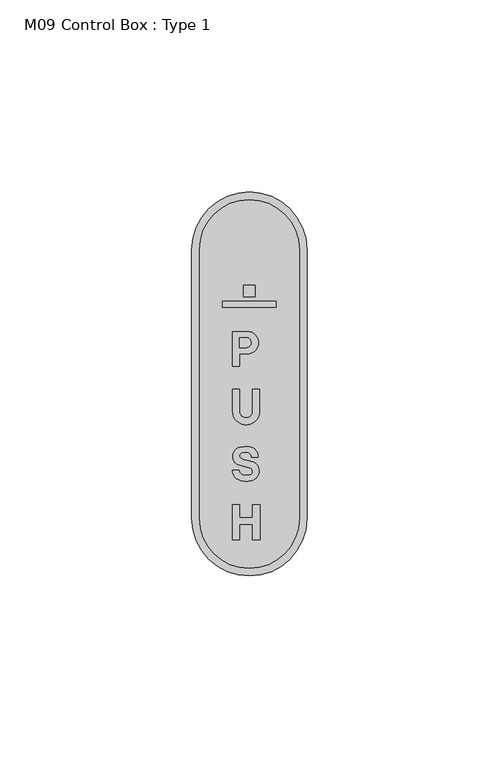
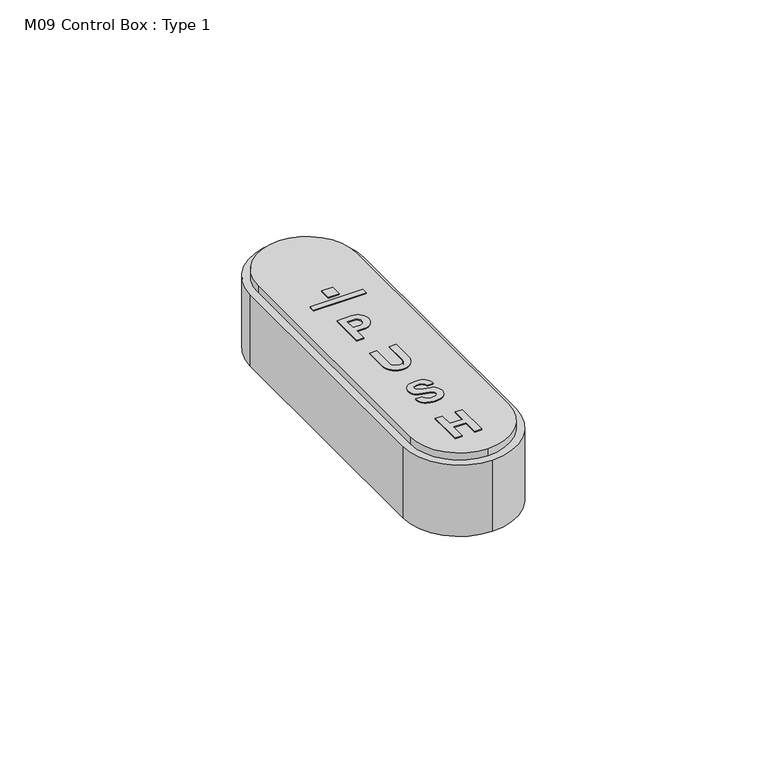
"""IFC4 building model written with IfcOpenShell, lengths in millimetres: proxy geometry, M09 Control Box : Type 1."""

from ifc_helpers import new_model, si_unit, point, frame, frame_2d, origin, origin_with_axes, place, context, project, spatial, polyline, circle_curve, trimmed, segment, composite_curve, outline, extrude, source, transform, mapped, element, save


def m09_control_box_type_1_ed97ed32(model_context):
    return source(origin(), model_context, "Body", "SweptSolid", [
        extrude(outline(polyline([(0.8723821, -34.8655991), (0.8723821, -31.5117167), (2.736406, -31.5117167), (2.736406, -40.5120947), (0.8723821, -40.5120947), (0.8723821, -36.5221312), (-2.5155153, -36.5221312), (-2.5155153, -40.5120947), (-4.3829407, -40.5120947), (-4.3829407, -31.5117167), (-2.5155153, -31.5117167), (-2.5155153, -34.8655991), (0.8723821, -34.8655991)])), frame((0.0, 0.0, 20.0), z_axis=(0.0, 0.0, 1.0), x_axis=(1.0, 0.0, 0.0)), (0.0, 0.0, 1.0), 2.0),
        extrude(outline(composite_curve([segment(polyline([(-4.3829407, -1.3113667), (-2.5528483, -1.3113667), (-2.5528483, -7.1144231)]), True, "CONTINUOUS"), segment(trimmed(circle_curve(frame_2d((-0.8491988, -7.1144231)), 1.7036496), [point((-2.5528483, -7.1144231))], [point((0.8544508, -7.1144231))], True, "CARTESIAN"), True, "CONTINUOUS"), segment(polyline([(0.8544508, -7.1144231), (0.8544508, -1.3113667), (2.6645785, -1.3113667), (2.6645785, -7.0778213)]), True, "CONTINUOUS"), segment(trimmed(circle_curve(frame_2d((-0.8591811, -7.0778213)), 3.5237596), [point((2.6645785, -7.0778213))], [point((-4.3829407, -7.0778213))], False, "CARTESIAN"), True, "CONTINUOUS"), segment(polyline([(-4.3829407, -7.0778213), (-4.3829407, -1.3113667)]), True, "CONTINUOUS")], self_intersect=False)), frame((0.0, 0.0, 20.0), z_axis=(0.0, 0.0, 1.0), x_axis=(1.0, 0.0, 0.0)), (0.0, 0.0, 1.0), 2.0),
        extrude(outline(composite_curve([segment(trimmed(circle_curve(frame_2d((-0.8756374, -23.2309063)), 6.9254778), [point((-2.4645778, -16.4901711))], [point((0.0, -16.361008))], False, "CARTESIAN"), True, "CONTINUOUS"), segment(trimmed(circle_curve(frame_2d((-0.3337527, -18.9794971)), 2.6396734), [point((0.0, -16.361008))], [point((2.3051791, -19.0420638))], False, "CARTESIAN"), True, "CONTINUOUS"), segment(polyline([(2.3051791, -19.0420638), (0.6042446, -19.0355964)]), True, "CONTINUOUS"), segment(trimmed(circle_curve(frame_2d((-0.7657244, -19.1265289)), 1.3729835), [point((0.6042446, -19.0355964))], [point((-0.7958968, -17.7538769))], True, "CARTESIAN"), True, "CONTINUOUS"), segment(trimmed(circle_curve(frame_2d((-1.0891768, -20.0342111)), 2.2991165), [point((-0.7958968, -17.7538769))], [point((-2.213965, -18.0290207))], True, "CARTESIAN"), True, "CONTINUOUS"), segment(trimmed(circle_curve(frame_2d((-1.7263824, -18.6992281)), 0.8288032), [point((-2.213965, -18.0290207))], [point((-2.213965, -19.3694355))], True, "CARTESIAN"), True, "CONTINUOUS"), segment(trimmed(circle_curve(frame_2d((0.582748, -13.4753911)), 6.523907), [point((-2.213965, -19.3694355))], [point((-0.6968299, -19.8725814))], True, "CARTESIAN"), True, "CONTINUOUS"), segment(polyline([(-0.6968299, -19.8725814), (0.7590318, -20.2626783)]), True, "CONTINUOUS"), segment(trimmed(circle_curve(frame_2d((0.1287501, -22.6149219)), 2.4352218), [point((0.7590318, -20.2626783))], [point((2.5547051, -22.8271655))], False, "CARTESIAN"), True, "CONTINUOUS"), segment(trimmed(circle_curve(frame_2d((-0.0717459, -22.5973808)), 2.6364836), [point((2.5547051, -22.8271655))], [point((0.4921717, -25.1728503))], False, "CARTESIAN"), True, "CONTINUOUS"), segment(trimmed(circle_curve(frame_2d((-0.7946709, -20.0211121)), 5.3100255), [point((0.4921717, -25.1728503))], [point((-2.9565534, -24.8711259))], False, "CARTESIAN"), True, "CONTINUOUS"), segment(trimmed(circle_curve(frame_2d((-1.9703154, -22.6585782)), 2.4224023), [point((-2.9565534, -24.8711259))], [point((-4.3829407, -22.4411566))], False, "CARTESIAN"), True, "CONTINUOUS"), segment(polyline([(-4.3829407, -22.4411566), (-2.6348358, -22.4411566)]), True, "CONTINUOUS"), segment(trimmed(circle_curve(frame_2d((-1.2149368, -22.3490205)), 1.4228851), [point((-2.6348358, -22.4411566))], [point((-1.5096764, -23.7410445))], True, "CARTESIAN"), True, "CONTINUOUS"), segment(trimmed(circle_curve(frame_2d((-0.7920818, -20.3519205)), 3.4642608), [point((-1.5096764, -23.7410445))], [point((-0.0029872, -23.7251138))], True, "CARTESIAN"), True, "CONTINUOUS"), segment(trimmed(circle_curve(frame_2d((-0.0974175, -22.7686323)), 0.9611316), [point((-0.0029872, -23.7251138))], [point((0.2963073, -21.8918457))], True, "CARTESIAN"), True, "CONTINUOUS"), segment(polyline([(0.2963073, -21.8918457), (-2.8088607, -21.0598185)]), True, "CONTINUOUS"), segment(trimmed(circle_curve(frame_2d((-2.2075299, -19.066456)), 2.0820885), [point((-2.8088607, -21.0598185))], [point((-4.2731404, -18.8050256))], False, "CARTESIAN"), True, "CONTINUOUS"), segment(trimmed(circle_curve(frame_2d((-1.9145038, -18.7838652)), 2.3587315), [point((-4.2731404, -18.8050256))], [point((-2.4645778, -16.4901711))], False, "CARTESIAN"), True, "CONTINUOUS")], self_intersect=False)), frame((0.0, 0.0, 20.0), z_axis=(0.0, 0.0, 1.0), x_axis=(1.0, 0.0, 0.0)), (0.0, 0.0, 1.0), 2.0),
        extrude(outline(composite_curve([segment(polyline([(-2.5257198, 4.6645225), (-4.3829407, 4.6645225), (-4.3829407, 13.6649005), (-2.5257198, 13.6649005), (-0.5426433, 13.6649005)]), True, "CONTINUOUS"), segment(trimmed(circle_curve(frame_2d((-0.5426433, 10.7651188)), 2.8997817), [point((-0.5426433, 13.6649005))], [point((-0.5426433, 7.8653372))], False, "CARTESIAN"), True, "CONTINUOUS"), segment(polyline([(-0.5426433, 7.8653372), (-2.5257198, 7.8653372), (-2.5257198, 4.6645225)]), True, "CONTINUOUS")], self_intersect=False), holes=[composite_curve([segment(polyline([(-2.5257198, 9.4810513), (-0.8181651, 9.4810513)]), True, "CONTINUOUS"), segment(trimmed(circle_curve(frame_2d((-0.8181651, 10.7906301)), 1.3095788), [point((-0.8181651, 9.4810513))], [point((-0.8181651, 12.1002089))], True, "CARTESIAN"), True, "CONTINUOUS"), segment(polyline([(-0.8181651, 12.1002089), (-2.5257198, 12.1002089), (-2.5257198, 9.4810513)]), True, "CONTINUOUS")], self_intersect=False)]), frame((0.0, 0.0, 20.0), z_axis=(0.0, 0.0, 1.0), x_axis=(1.0, 0.0, 0.0)), (0.0, 0.0, 1.0), 2.0),
        extrude(outline(polyline([(-7.0, 20.0166537), (-7.0, 21.5166537), (7.0, 21.5166537), (7.0, 20.0166537), (-7.0, 20.0166537)])), frame((0.0, 0.0, 20.0), z_axis=(0.0, 0.0, 1.0), x_axis=(1.0, 0.0, 0.0)), (0.0, 0.0, 1.0), 2.0),
        extrude(outline(polyline([(-1.5, 25.7486881), (1.5, 25.7486881), (1.5, 22.7486881), (-1.5, 22.7486881), (-1.5, 25.7486881)])), frame((0.0, 0.0, 20.0), z_axis=(0.0, 0.0, 1.0), x_axis=(1.0, 0.0, 0.0)), (0.0, 0.0, 1.0), 2.0),
        extrude(outline(composite_curve([segment(trimmed(circle_curve(frame_2d((0.0, 35.0)), 13.0), [point((0.0, 48.0))], [point((13.0, 35.0))], False, "CARTESIAN"), True, "CONTINUOUS"), segment(polyline([(13.0, 35.0), (13.0, -35.0)]), True, "CONTINUOUS"), segment(trimmed(circle_curve(frame_2d((0.0, -35.0)), 13.0), [point((13.0, -35.0))], [point((0.0, -48.0))], False, "CARTESIAN"), True, "CONTINUOUS"), segment(trimmed(circle_curve(frame_2d((0.0, -35.0)), 13.0), [point((0.0, -48.0))], [point((-13.0, -35.0))], False, "CARTESIAN"), True, "CONTINUOUS"), segment(polyline([(-13.0, -35.0), (-13.0, 35.0)]), True, "CONTINUOUS"), segment(trimmed(circle_curve(frame_2d((0.0, 35.0)), 13.0), [point((-13.0, 35.0))], [point((0.0, 48.0))], False, "CARTESIAN"), True, "CONTINUOUS")], self_intersect=False), holes=[composite_curve([segment(trimmed(circle_curve(frame_2d((-0.5426433, 10.7651188)), 2.8997817), [point((-0.5426433, 7.8653372))], [point((-0.5426433, 13.6649005))], True, "CARTESIAN"), True, "CONTINUOUS"), segment(polyline([(-0.5426433, 13.6649005), (-2.5257198, 13.6649005), (-4.3829407, 13.6649005), (-4.3829407, 4.6645225), (-2.5257198, 4.6645225), (-2.5257198, 7.8653372), (-0.5426433, 7.8653372)]), True, "CONTINUOUS")], self_intersect=False), composite_curve([segment(polyline([(-4.3829407, -1.3113667), (-4.3829407, -7.0778213)]), True, "CONTINUOUS"), segment(trimmed(circle_curve(frame_2d((-0.8591811, -7.0778213)), 3.5237596), [point((-4.3829407, -7.0778213))], [point((2.6645785, -7.0778213))], True, "CARTESIAN"), True, "CONTINUOUS"), segment(polyline([(2.6645785, -7.0778213), (2.6645785, -1.3113667), (0.8544508, -1.3113667), (0.8544508, -7.1144231)]), True, "CONTINUOUS"), segment(trimmed(circle_curve(frame_2d((-0.8491988, -7.1144231)), 1.7036496), [point((0.8544508, -7.1144231))], [point((-2.5528483, -7.1144231))], False, "CARTESIAN"), True, "CONTINUOUS"), segment(polyline([(-2.5528483, -7.1144231), (-2.5528483, -1.3113667), (-4.3829407, -1.3113667)]), True, "CONTINUOUS")], self_intersect=False), polyline([(-4.3829407, -40.5120947), (-2.5155153, -40.5120947), (-2.5155153, -36.5221312), (0.8723821, -36.5221312), (0.8723821, -40.5120947), (2.736406, -40.5120947), (2.736406, -31.5117167), (0.8723821, -31.5117167), (0.8723821, -34.8655991), (-2.5155153, -34.8655991), (-2.5155153, -31.5117167), (-4.3829407, -31.5117167), (-4.3829407, -40.5120947)]), composite_curve([segment(polyline([(0.6042446, -19.0355964), (2.3051791, -19.0420638)]), True, "CONTINUOUS"), segment(trimmed(circle_curve(frame_2d((-0.3337527, -18.9794971)), 2.6396734), [point((2.3051791, -19.0420638))], [point((0.0, -16.361008))], True, "CARTESIAN"), True, "CONTINUOUS"), segment(trimmed(circle_curve(frame_2d((-0.8756374, -23.2309063)), 6.9254778), [point((0.0, -16.361008))], [point((-2.4645778, -16.4901711))], True, "CARTESIAN"), True, "CONTINUOUS"), segment(trimmed(circle_curve(frame_2d((-1.9145038, -18.7838652)), 2.3587315), [point((-2.4645778, -16.4901711))], [point((-4.2731404, -18.8050256))], True, "CARTESIAN"), True, "CONTINUOUS"), segment(trimmed(circle_curve(frame_2d((-2.2075299, -19.066456)), 2.0820885), [point((-4.2731404, -18.8050256))], [point((-2.8088607, -21.0598185))], True, "CARTESIAN"), True, "CONTINUOUS"), segment(polyline([(-2.8088607, -21.0598185), (0.2963073, -21.8918457)]), True, "CONTINUOUS"), segment(trimmed(circle_curve(frame_2d((-0.0974175, -22.7686323)), 0.9611316), [point((0.2963073, -21.8918457))], [point((-0.0029872, -23.7251138))], False, "CARTESIAN"), True, "CONTINUOUS"), segment(trimmed(circle_curve(frame_2d((-0.7920818, -20.3519205)), 3.4642608), [point((-0.0029872, -23.7251138))], [point((-1.5096764, -23.7410445))], False, "CARTESIAN"), True, "CONTINUOUS"), segment(trimmed(circle_curve(frame_2d((-1.2149368, -22.3490205)), 1.4228851), [point((-1.5096764, -23.7410445))], [point((-2.6348358, -22.4411566))], False, "CARTESIAN"), True, "CONTINUOUS"), segment(polyline([(-2.6348358, -22.4411566), (-4.3829407, -22.4411566)]), True, "CONTINUOUS"), segment(trimmed(circle_curve(frame_2d((-1.9703154, -22.6585782)), 2.4224023), [point((-4.3829407, -22.4411566))], [point((-2.9565534, -24.8711259))], True, "CARTESIAN"), True, "CONTINUOUS"), segment(trimmed(circle_curve(frame_2d((-0.7946709, -20.0211121)), 5.3100255), [point((-2.9565534, -24.8711259))], [point((0.4921717, -25.1728503))], True, "CARTESIAN"), True, "CONTINUOUS"), segment(trimmed(circle_curve(frame_2d((-0.0717459, -22.5973808)), 2.6364836), [point((0.4921717, -25.1728503))], [point((2.5547051, -22.8271655))], True, "CARTESIAN"), True, "CONTINUOUS"), segment(trimmed(circle_curve(frame_2d((0.1287501, -22.6149219)), 2.4352218), [point((2.5547051, -22.8271655))], [point((0.7590318, -20.2626783))], True, "CARTESIAN"), True, "CONTINUOUS"), segment(polyline([(0.7590318, -20.2626783), (-0.6968299, -19.8725814)]), True, "CONTINUOUS"), segment(trimmed(circle_curve(frame_2d((0.582748, -13.4753911)), 6.523907), [point((-0.6968299, -19.8725814))], [point((-2.213965, -19.3694355))], False, "CARTESIAN"), True, "CONTINUOUS"), segment(trimmed(circle_curve(frame_2d((-1.7263824, -18.6992281)), 0.8288032), [point((-2.213965, -19.3694355))], [point((-2.213965, -18.0290207))], False, "CARTESIAN"), True, "CONTINUOUS"), segment(trimmed(circle_curve(frame_2d((-1.0891768, -20.0342111)), 2.2991165), [point((-2.213965, -18.0290207))], [point((-0.7958968, -17.7538769))], False, "CARTESIAN"), True, "CONTINUOUS"), segment(trimmed(circle_curve(frame_2d((-0.7657244, -19.1265289)), 1.3729835), [point((-0.7958968, -17.7538769))], [point((0.6042446, -19.0355964))], False, "CARTESIAN"), True, "CONTINUOUS")], self_intersect=False), polyline([(7.0, 20.0166537), (7.0, 21.5166537), (-7.0, 21.5166537), (-7.0, 20.0166537), (7.0, 20.0166537)]), polyline([(1.5, 25.7486881), (-1.5, 25.7486881), (-1.5, 22.7486881), (1.5, 22.7486881), (1.5, 25.7486881)])]), frame((0.0, 0.0, 20.0), z_axis=(0.0, 0.0, 1.0), x_axis=(1.0, 0.0, 0.0)), (0.0, 0.0, 1.0), 2.0),
        extrude(outline(composite_curve([segment(polyline([(-2.5257198, 12.1002089), (-0.8181651, 12.1002089)]), True, "CONTINUOUS"), segment(trimmed(circle_curve(frame_2d((-0.8181651, 10.7906301)), 1.3095788), [point((-0.8181651, 12.1002089))], [point((-0.8181651, 9.4810513))], False, "CARTESIAN"), True, "CONTINUOUS"), segment(polyline([(-0.8181651, 9.4810513), (-2.5257198, 9.4810513), (-2.5257198, 12.1002089)]), True, "CONTINUOUS")], self_intersect=False)), frame((0.0, 0.0, 20.0), z_axis=(0.0, 0.0, 1.0), x_axis=(1.0, 0.0, 0.0)), (0.0, 0.0, 1.0), 2.0),
        extrude(outline(composite_curve([segment(trimmed(circle_curve(frame_2d((0.0, 35.0)), 15.0), [point((-15.0, 35.0))], [point((0.0, 50.0))], False, "CARTESIAN"), True, "CONTINUOUS"), segment(trimmed(circle_curve(frame_2d((0.0, 35.0)), 15.0), [point((0.0, 50.0))], [point((15.0, 35.0))], False, "CARTESIAN"), True, "CONTINUOUS"), segment(polyline([(15.0, 35.0), (15.0, -35.0)]), True, "CONTINUOUS"), segment(trimmed(circle_curve(frame_2d((0.0, -35.0)), 15.0), [point((15.0, -35.0))], [point((0.0, -50.0))], False, "CARTESIAN"), True, "CONTINUOUS"), segment(trimmed(circle_curve(frame_2d((0.0, -35.0)), 15.0), [point((0.0, -50.0))], [point((-15.0, -35.0))], False, "CARTESIAN"), True, "CONTINUOUS"), segment(polyline([(-15.0, -35.0), (-15.0, 35.0)]), True, "CONTINUOUS")], self_intersect=False)), origin_with_axes(), (0.0, 0.0, 1.0), 20.0),
    ])


if __name__ == "__main__":
    model = new_model("IFC4")
    model_context = context("Model", 3, world=origin())
    ifc_project = project(units=[si_unit("LENGTHUNIT", "METRE", prefix="MILLI")], contexts=[model_context])
    site = spatial("IfcSite", under=ifc_project)
    building = spatial("IfcBuilding", under=site)
    placement = place(None, origin())
    m09_control_box_type_1_shape = m09_control_box_type_1_ed97ed32(model_context)
    element("IfcBuildingElementProxy", 1, Name="M09 Control Box : Type 1", ObjectType="M09 Control Box : Type 1", at=placement, inside=building, context=model_context, shape_type="MappedRepresentation", body=[
        mapped(m09_control_box_type_1_shape, transform((0.0, 0.0, 0.0), x_axis=(1.0, 0.0, 0.0), y_axis=(0.0, 1.0, 0.0), z_axis=(0.0, 0.0, 1.0))),
    ])
    save(model, "model.ifc")
